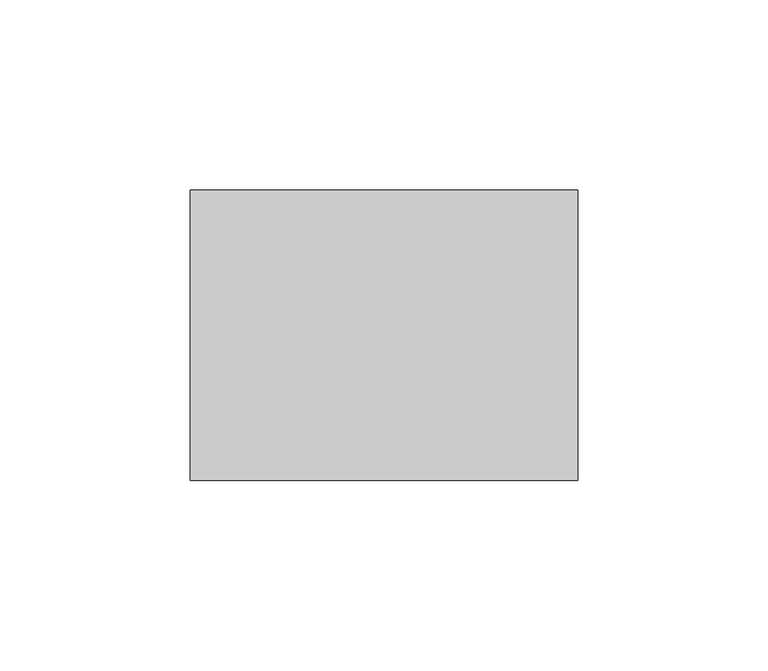
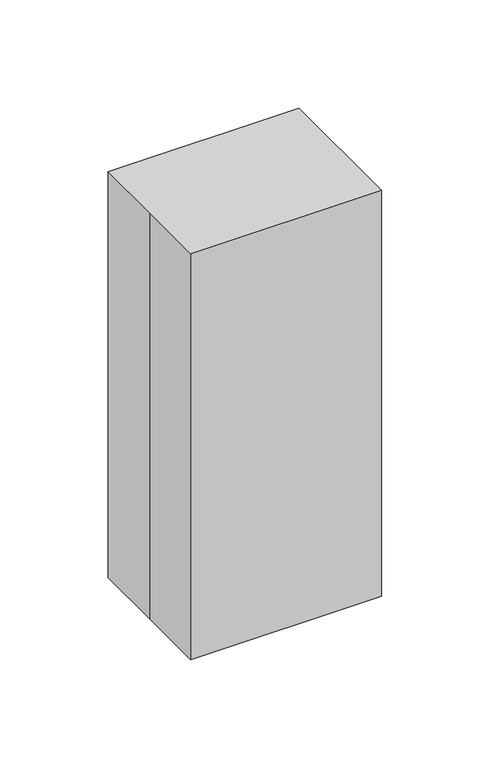
"""IFC4 building model written with IfcOpenShell, lengths in millimetres: proxy geometry."""

import ifcopenshell
import ifcopenshell.guid

model = None  # the IFC model being written
_history = None  # IfcOwnerHistory: only IFC2X3 demands one
_inside = {}  # id of a spatial element -> (the spatial element, [elements in it])
_under = {}  # id of a project, library or spatial element -> (it, [spatial elements below it])
_declared = {}  # id of a project -> (the project, [libraries it declares])
_typed = {}  # id of a type object -> (the type object, [elements of that type])
_made_of = {}  # id of a material, layer set ... -> (it, [elements and type objects made of it])


def new_model(schema):
    """Start an empty IFC model of exactly this schema.

    Asked for "IFC4X3", IfcOpenShell would pick the latest addendum, in which some entities
    have other attributes; the version numbers below select the first issue.
    IFC2X3 requires an IfcOwnerHistory on every rooted entity: one is made here for all.
    """
    global model, _history
    if schema == "IFC4X3":
        model = ifcopenshell.file(schema_version=(4, 3, 0, 0))
    else:
        model = ifcopenshell.file(schema=schema)
    _inside.clear()
    _under.clear()
    _declared.clear()
    _typed.clear()
    _made_of.clear()
    _history = None
    if model.schema == "IFC2X3":
        org = make("IfcOrganization", Name="unknown")
        user = make(
            "IfcPersonAndOrganization",
            ThePerson=make("IfcPerson", FamilyName="unknown"),
            TheOrganization=org,
        )
        app = make(
            "IfcApplication",
            ApplicationDeveloper=org,
            Version="unknown",
            ApplicationFullName="unknown",
            ApplicationIdentifier="unknown",
        )
        _history = make(
            "IfcOwnerHistory",
            OwningUser=user,
            OwningApplication=app,
            ChangeAction="ADDED",
            CreationDate=0,
        )
    return model


def make(cls, **values):
    """One entity of the class cls with the attributes given. An attribute that is None is left unset."""
    return model.create_entity(
        cls, **{name: value for name, value in values.items() if value is not None}
    )


def rooted(cls, **values):
    """An entity with a GlobalId (a new one), such as an element, a storey or a relation."""
    return make(cls, GlobalId=ifcopenshell.guid.new(), OwnerHistory=_history, **values)


def si_unit(unit_type, name, prefix=None):
    """IfcSIUnit, for example si_unit("LENGTHUNIT", "METRE", prefix="MILLI")."""
    return make("IfcSIUnit", UnitType=unit_type, Prefix=prefix, Name=name)


def assignment(units):
    """IfcUnitAssignment: the units of a project."""
    return None if units is None else make("IfcUnitAssignment", Units=units)


def point(xyz):
    """IfcCartesianPoint."""
    return None if xyz is None else make("IfcCartesianPoint", Coordinates=xyz)


def direction(xyz):
    """IfcDirection."""
    return None if xyz is None else make("IfcDirection", DirectionRatios=xyz)


def frame(location, z_axis=None, x_axis=None):
    """IfcAxis2Placement3D, a coordinate frame: its origin and axes. An axis left out is left unset."""
    return make(
        "IfcAxis2Placement3D",
        Location=point(location),
        Axis=direction(z_axis),
        RefDirection=direction(x_axis),
    )


def origin():
    """The frame at (0, 0, 0) with its axes left unset."""
    return frame((0.0, 0.0, 0.0))


def origin_with_axes():
    """The frame at (0, 0, 0) with the z axis (0, 0, 1) and the x axis (1, 0, 0) written out."""
    return frame((0.0, 0.0, 0.0), z_axis=(0.0, 0.0, 1.0), x_axis=(1.0, 0.0, 0.0))


def place(relative_to, where):
    """IfcLocalPlacement: puts the frame where relative to a parent placement (None: the world)."""
    return make(
        "IfcLocalPlacement", PlacementRelTo=relative_to, RelativePlacement=where
    )


def context(
    kind, dimensions, precision=None, world=None, true_north=None, identifier=None
):
    """IfcGeometricRepresentationContext, for example the 3D "Model" context."""
    return make(
        "IfcGeometricRepresentationContext",
        ContextIdentifier=identifier,
        ContextType=kind,
        CoordinateSpaceDimension=dimensions,
        Precision=precision,
        WorldCoordinateSystem=world,
        TrueNorth=true_north,
    )


def project(units=None, contexts=None):
    """IfcProject with its units and contexts."""
    return rooted(
        "IfcProject",
        Name="project",
        RepresentationContexts=contexts,
        UnitsInContext=assignment(units),
    )


def spatial(cls, under=None, at=None, **own):
    """A site, building, storey or space (cls), placed at a placement, below another one or the project."""
    s = rooted(cls, ObjectPlacement=at, **own)
    if under is not None:
        _under.setdefault(under.id(), (under, []))[1].append(s)
    return s


def polyline(points):
    """IfcPolyline through the points."""
    return make("IfcPolyline", Points=[point(p) for p in points])


def circle_curve(where, radius):
    """IfcCircle in the frame where."""
    return make("IfcCircle", Position=where, Radius=radius)


def outline(outer, holes=None, kind="AREA"):
    """IfcArbitraryClosedProfileDef: a profile drawn as a closed curve; with holes, ...WithVoids."""
    if holes is None:
        return make("IfcArbitraryClosedProfileDef", ProfileType=kind, OuterCurve=outer)
    return make(
        "IfcArbitraryProfileDefWithVoids",
        ProfileType=kind,
        OuterCurve=outer,
        InnerCurves=holes,
    )


def extrude(swept, where, along, depth):
    """IfcExtrudedAreaSolid: the profile swept, set in the frame where, extruded along a direction by depth."""
    return make(
        "IfcExtrudedAreaSolid",
        SweptArea=swept,
        Position=where,
        ExtrudedDirection=direction(along),
        Depth=depth,
    )


def shape(context_of_items, identifier, shape_type, items):
    """IfcShapeRepresentation: the items that make up one representation, for example the "Body"."""
    return make(
        "IfcShapeRepresentation",
        ContextOfItems=context_of_items,
        RepresentationIdentifier=identifier,
        RepresentationType=shape_type,
        Items=items,
    )


def source(mapping_origin, context_of_items, identifier, shape_type, items):
    """IfcRepresentationMap: a shape defined once, which mapped items show again and again."""
    return make(
        "IfcRepresentationMap",
        MappingOrigin=mapping_origin,
        MappedRepresentation=shape(context_of_items, identifier, shape_type, items),
    )


def transform(
    local_origin,
    x_axis=None,
    y_axis=None,
    z_axis=None,
    scale=None,
    scale2=None,
    scale3=None,
    uniform=True,
):
    """IfcCartesianTransformationOperator3D, or its non-uniform kind. x_axis, y_axis, z_axis: its Axis1, 2, 3."""
    if uniform:
        return make(
            "IfcCartesianTransformationOperator3D",
            Axis1=direction(x_axis),
            Axis2=direction(y_axis),
            LocalOrigin=point(local_origin),
            Scale=scale,
            Axis3=direction(z_axis),
        )
    return make(
        "IfcCartesianTransformationOperator3DnonUniform",
        Axis1=direction(x_axis),
        Axis2=direction(y_axis),
        LocalOrigin=point(local_origin),
        Scale=scale,
        Axis3=direction(z_axis),
        Scale2=scale2,
        Scale3=scale3,
    )


def mapped(mapping_source, mapping_target):
    """IfcMappedItem: shows the shape of a source again, moved by a transform."""
    return make(
        "IfcMappedItem", MappingSource=mapping_source, MappingTarget=mapping_target
    )


def made_of(thing, what):
    """Note that an element or type object is made of a material, layer set ...; save() writes the relation."""
    if what is not None:
        _made_of.setdefault(what.id(), (what, []))[1].append(thing)
    return thing


def element(
    cls,
    number,
    at=None,
    inside=None,
    cuts=None,
    type_object=None,
    material=None,
    context=None,
    identifier="Body",
    shape_type=None,
    held_by="IfcProductDefinitionShape",
    body=None,
    shapes=None,
    **own,
):
    """One element of the class cls, such as IfcWall. Its Tag is "e" and its number.

    at: its placement. inside: the storey or other place that contains it. cuts: it is an
    opening in that element (IfcRelVoidsElement). A single representation is given by context,
    identifier, shape_type and body (its items); several are given by shapes. held_by: the class
    of the entity that holds the representations. save() writes the other relations.
    """
    e = rooted(cls, Tag="e%d" % number, ObjectPlacement=at, **own)
    if body is not None:
        shapes = [shape(context, identifier, shape_type, body)]
    if shapes is not None:
        e.Representation = make(held_by, Representations=shapes)
    if inside is not None:
        _inside.setdefault(inside.id(), (inside, []))[1].append(e)
    if cuts is not None:
        rooted(
            "IfcRelVoidsElement", RelatingBuildingElement=cuts, RelatedOpeningElement=e
        )
    if type_object is not None:
        _typed.setdefault(type_object.id(), (type_object, []))[1].append(e)
    return made_of(e, material)


def aggregate(whole, parts):
    """IfcRelAggregates: a whole, such as a stair, and the parts it consists of."""
    return rooted("IfcRelAggregates", RelatingObject=whole, RelatedObjects=parts)


def save(model, path):
    """Write the relations noted so far, then the file.

    IfcRelAggregates (storeys below a building ...), IfcRelContainedInSpatialStructure (elements
    in a storey), IfcRelDefinesByType, IfcRelAssociatesMaterial and IfcRelDeclares: one each for
    every whole, place, type object, material and project.
    """
    for whole, parts in _under.values():
        aggregate(whole, parts)
    for where, things in _inside.values():
        rooted(
            "IfcRelContainedInSpatialStructure",
            RelatedElements=things,
            RelatingStructure=where,
        )
    for kind, things in _typed.values():
        rooted("IfcRelDefinesByType", RelatedObjects=things, RelatingType=kind)
    for what, things in _made_of.values():
        rooted("IfcRelAssociatesMaterial", RelatedObjects=things, RelatingMaterial=what)
    for by, libraries in _declared.values():
        rooted("IfcRelDeclares", RelatingContext=by, RelatedDefinitions=libraries)
    model.write(path)


def plane_surface(at):
    """IfcPlane: the flat surface through the origin of the frame at, square to its z axis."""
    return make("IfcPlane", Position=at)


def cylinder_surface(at, radius):
    """IfcCylindricalSurface: all points at the distance radius from the z axis of the frame at."""
    return make("IfcCylindricalSurface", Position=at, Radius=radius)


def advanced_brep(points, edges, surfaces, faces):
    """IfcAdvancedBrep: a solid bounded by faces that lie on surfaces and meet in shared edges.

    An edge is (start, end): straight between two places in points (the first is 0);
    or (start, end, curve); or (start, end, curve, False) where it runs against its curve.
    A face is (place in surfaces, loops), or (place, loops, False) where it looks against
    its surface's normal. A loop lists edges by number (the first is 1), with a minus sign
    where the edge is run from its end to its start. The first loop is the outer one.
    """
    corners = [point(p) for p in points]
    vertices = [make("IfcVertexPoint", VertexGeometry=c) for c in corners]
    made = []
    for start, end, *more in edges:
        made.append(
            make(
                "IfcEdgeCurve",
                EdgeStart=vertices[start],
                EdgeEnd=vertices[end],
                EdgeGeometry=more[0] if more else make("IfcPolyline", Points=[corners[start], corners[end]]),
                SameSense=more[1] if len(more) > 1 else True,
            )
        )
    hull = []
    for where, loops, *sense in faces:
        bounds = []
        for j, loop in enumerate(loops):
            ring = [make("IfcOrientedEdge", EdgeElement=made[abs(k) - 1], Orientation=k > 0) for k in loop]
            bounds.append(
                make(
                    "IfcFaceOuterBound" if j == 0 else "IfcFaceBound",
                    Bound=make("IfcEdgeLoop", EdgeList=ring),
                    Orientation=True,
                )
            )
        hull.append(make("IfcAdvancedFace", Bounds=bounds, FaceSurface=surfaces[where], SameSense=sense[0] if sense else True))
    return make("IfcAdvancedBrep", Outer=make("IfcClosedShell", CfsFaces=hull))


def specialty_equipment_a07682d5(model_context):
    return source(origin(), model_context, "Body", "SolidModel", [
        extrude(outline(polyline([(-50.8, 38.1), (50.8, 38.1), (50.8, -38.1), (-50.8, -38.1), (-50.8, 0.0), (-50.8, 38.1)])), origin_with_axes(), (0.0, 0.0, 1.0), 228.6),
        extrude(outline(polyline([(38.1, -28.575), (-38.1, -28.575), (-38.1, 22.225), (38.1, 22.225), (38.1, -28.575)])), origin_with_axes(), (0.0, 0.0, 1.0), 50.8),
        extrude(outline(polyline([(34.925, -25.4), (-34.925, -25.4), (-34.925, 19.05), (34.925, 19.05), (34.925, -25.4)])), frame((0.0, 0.0, 50.8), z_axis=(0.0, 0.0, 1.0), x_axis=(1.0, 0.0, 0.0)), (0.0, 0.0, 1.0), 107.95),
        extrude(outline(polyline([(152.5638698, 27.6463052), (152.5638698, -27.6937711), (120.8138698, -27.6937711), (120.8138698, 27.6463052), (152.5638698, 27.6463052)]), holes=[polyline([(127.1638698, 21.2963052), (127.1638698, -21.3437711), (146.2138698, -21.3437711), (146.2138698, 21.2963052), (127.1638698, 21.2963052)])]), frame((0.0, -27.8626185, 0.0), z_axis=(0.0, 1.0, 0.0), x_axis=(0.0, 0.0, 1.0)), (0.0, 0.0, 1.0), 2.4626185),
        extrude(outline(polyline([(21.2963052, -27.384375), (-21.3437711, -27.384375), (-21.3437711, -24.209375), (21.2963052, -24.209375), (21.2963052, -27.384375)])), frame((0.0, 0.0, 127.1638698), z_axis=(0.0, 0.0, 1.0), x_axis=(1.0, 0.0, 0.0)), (0.0, 0.0, 1.0), 19.05),
        advanced_brep(
        [(10.8039714, -2.7027988, 171.45), (25.7080049, -2.7027988, 171.45), (27.78125, -2.7027988, 171.45), (8.7307262, -2.7027988, 171.45), (10.8039714, -2.7027988, 174.0186334), (25.7080049, -2.7027988, 174.0186334), (6.2600587, -2.7027988, 174.0186334), (30.2519175, -2.7027988, 174.0186334), (6.2600587, -2.7027988, 176.5632245), (30.2519175, -2.7027988, 176.5632245), (8.7307262, -2.7027988, 176.5632245), (27.78125, -2.7027988, 176.5632245), (8.7307262, -2.7027988, 198.0104922), (27.78125, -2.7027988, 198.0104922), (18.2559881, -2.7027988, 198.0104922), (8.7307262, -2.7027988, 158.75), (27.78125, -2.7027988, 158.75), (18.2559881, -2.7027988, 158.75)],
        [
            (0, 1, circle_curve(frame((18.2559881, -2.7027988, 171.45), z_axis=(0.0, 0.0, -1.0), x_axis=(1.0, 0.0, 0.0)), 7.4520167)),
            (1, 2),
            (2, 3, circle_curve(frame((18.2559881, -2.7027988, 171.45), z_axis=(0.0, 0.0, 1.0), x_axis=(1.0, 0.0, 0.0)), 9.5252619)),
            (3, 0),
            (1, 0, circle_curve(frame((18.2559881, -2.7027988, 171.45), z_axis=(0.0, 0.0, -1.0), x_axis=(1.0, 0.0, 0.0)), 7.4520167)),
            (3, 2, circle_curve(frame((18.2559881, -2.7027988, 171.45), z_axis=(0.0, 0.0, 1.0), x_axis=(1.0, 0.0, 0.0)), 9.5252619)),
            (4, 5, circle_curve(frame((18.2559881, -2.7027988, 174.0186334), z_axis=(0.0, 0.0, -1.0), x_axis=(1.0, 0.0, 0.0)), 7.4520167)),
            (5, 1),
            (0, 4),
            (5, 4, circle_curve(frame((18.2559881, -2.7027988, 174.0186334), z_axis=(0.0, 0.0, -1.0), x_axis=(1.0, 0.0, 0.0)), 7.4520167)),
            (6, 7, circle_curve(frame((18.2559881, -2.7027988, 174.0186334), z_axis=(0.0, 0.0, -1.0), x_axis=(1.0, 0.0, 0.0)), 11.9959294)),
            (7, 5),
            (4, 6),
            (7, 6, circle_curve(frame((18.2559881, -2.7027988, 174.0186334), z_axis=(0.0, 0.0, -1.0), x_axis=(1.0, 0.0, 0.0)), 11.9959294)),
            (8, 9, circle_curve(frame((18.2559881, -2.7027988, 176.5632245), z_axis=(0.0, 0.0, -1.0), x_axis=(1.0, 0.0, 0.0)), 11.9959294)),
            (9, 7),
            (6, 8),
            (9, 8, circle_curve(frame((18.2559881, -2.7027988, 176.5632245), z_axis=(0.0, 0.0, -1.0), x_axis=(1.0, 0.0, 0.0)), 11.9959294)),
            (10, 11, circle_curve(frame((18.2559881, -2.7027988, 176.5632245), z_axis=(0.0, 0.0, -1.0), x_axis=(1.0, 0.0, 0.0)), 9.5252619)),
            (11, 9),
            (8, 10),
            (11, 10, circle_curve(frame((18.2559881, -2.7027988, 176.5632245), z_axis=(0.0, 0.0, -1.0), x_axis=(1.0, 0.0, 0.0)), 9.5252619)),
            (12, 13, circle_curve(frame((18.2559881, -2.7027988, 198.0104922), z_axis=(0.0, 0.0, -1.0), x_axis=(1.0, 0.0, 0.0)), 9.5252619)),
            (13, 11),
            (10, 12),
            (13, 12, circle_curve(frame((18.2559881, -2.7027988, 198.0104922), z_axis=(0.0, 0.0, -1.0), x_axis=(1.0, 0.0, 0.0)), 9.5252619)),
            (14, 13),
            (12, 14),
            (15, 16, circle_curve(frame((18.2559881, -2.7027988, 158.75), z_axis=(0.0, 0.0, -1.0), x_axis=(1.0, 0.0, 0.0)), 9.5252619)),
            (16, 17),
            (17, 15),
            (16, 15, circle_curve(frame((18.2559881, -2.7027988, 158.75), z_axis=(0.0, 0.0, -1.0), x_axis=(1.0, 0.0, 0.0)), 9.5252619)),
            (2, 16),
            (15, 3),
        ],
        [
            plane_surface(frame((18.2559881, -2.7027988, 171.45), z_axis=(0.0, 0.0, 1.0), x_axis=(1.0, 0.0, 0.0))),
            cylinder_surface(frame((18.2559881, -2.7027988, 189.2632245), z_axis=(0.0, 0.0, 1.0), x_axis=(1.0, 0.0, 0.0)), 7.4520167),
            plane_surface(frame((18.2559881, -2.7027988, 174.0186334), z_axis=(0.0, 0.0, -1.0), x_axis=(1.0, 0.0, 0.0))),
            cylinder_surface(frame((18.2559881, -2.7027988, 189.2632245), z_axis=(0.0, 0.0, 1.0), x_axis=(1.0, 0.0, 0.0)), 11.9959294),
            plane_surface(frame((18.2559881, -2.7027988, 176.5632245), z_axis=(0.0, 0.0, 1.0), x_axis=(1.0, 0.0, 0.0))),
            cylinder_surface(frame((18.2559881, -2.7027988, 189.2632245), z_axis=(0.0, 0.0, 1.0), x_axis=(1.0, 0.0, 0.0)), 9.5252619),
            plane_surface(frame((18.2559881, -2.7027988, 198.0104922), z_axis=(0.0, 0.0, 1.0), x_axis=(1.0, 0.0, 0.0))),
            plane_surface(frame((18.2559881, -2.7027988, 158.75), z_axis=(0.0, 0.0, -1.0), x_axis=(1.0, 0.0, 0.0))),
        ],
        [
            (0, [[1, 2, 3, 4]]),
            (0, [[5, -4, 6, -2]]),
            (1, [[7, 8, -1, 9]]),
            (1, [[10, -9, -5, -8]]),
            (2, [[11, 12, -7, 13]]),
            (2, [[14, -13, -10, -12]]),
            (3, [[15, 16, -11, 17]]),
            (3, [[18, -17, -14, -16]]),
            (4, [[19, 20, -15, 21]]),
            (4, [[22, -21, -18, -20]]),
            (5, [[23, 24, -19, 25]]),
            (5, [[26, -25, -22, -24]]),
            (6, [[27, -23, 28]]),
            (6, [[-28, -26, -27]]),
            (7, [[29, 30, 31]]),
            (7, [[32, -31, -30]]),
            (5, [[-3, 33, -29, 34]]),
            (5, [[-6, -34, -32, -33]]),
        ],
    ),
        advanced_brep(
        [(-23.9299367, -2.7027988, 171.45), (-9.0259032, -2.7027988, 171.45), (-6.9526581, -2.7027988, 171.45), (-26.0031819, -2.7027988, 171.45), (-23.9299367, -2.7027988, 174.0186334), (-9.0259032, -2.7027988, 174.0186334), (-28.4738494, -2.7027988, 174.0186334), (-4.4819906, -2.7027988, 174.0186334), (-28.4738494, -2.7027988, 176.5632245), (-4.4819906, -2.7027988, 176.5632245), (-26.0031819, -2.7027988, 176.5632245), (-6.9526581, -2.7027988, 176.5632245), (-26.0031819, -2.7027988, 198.0104922), (-6.9526581, -2.7027988, 198.0104922), (-16.47792, -2.7027988, 198.0104922), (-26.0031819, -2.7027988, 158.75), (-6.9526581, -2.7027988, 158.75), (-16.47792, -2.7027988, 158.75)],
        [
            (0, 1, circle_curve(frame((-16.47792, -2.7027988, 171.45), z_axis=(0.0, 0.0, -1.0), x_axis=(1.0, 0.0, 0.0)), 7.4520167)),
            (1, 2),
            (2, 3, circle_curve(frame((-16.47792, -2.7027988, 171.45), z_axis=(0.0, 0.0, 1.0), x_axis=(1.0, 0.0, 0.0)), 9.5252619)),
            (3, 0),
            (1, 0, circle_curve(frame((-16.47792, -2.7027988, 171.45), z_axis=(0.0, 0.0, -1.0), x_axis=(1.0, 0.0, 0.0)), 7.4520167)),
            (3, 2, circle_curve(frame((-16.47792, -2.7027988, 171.45), z_axis=(0.0, 0.0, 1.0), x_axis=(1.0, 0.0, 0.0)), 9.5252619)),
            (4, 5, circle_curve(frame((-16.47792, -2.7027988, 174.0186334), z_axis=(0.0, 0.0, -1.0), x_axis=(1.0, 0.0, 0.0)), 7.4520167)),
            (5, 1),
            (0, 4),
            (5, 4, circle_curve(frame((-16.47792, -2.7027988, 174.0186334), z_axis=(0.0, 0.0, -1.0), x_axis=(1.0, 0.0, 0.0)), 7.4520167)),
            (6, 7, circle_curve(frame((-16.47792, -2.7027988, 174.0186334), z_axis=(0.0, 0.0, -1.0), x_axis=(1.0, 0.0, 0.0)), 11.9959294)),
            (7, 5),
            (4, 6),
            (7, 6, circle_curve(frame((-16.47792, -2.7027988, 174.0186334), z_axis=(0.0, 0.0, -1.0), x_axis=(1.0, 0.0, 0.0)), 11.9959294)),
            (8, 9, circle_curve(frame((-16.47792, -2.7027988, 176.5632245), z_axis=(0.0, 0.0, -1.0), x_axis=(1.0, 0.0, 0.0)), 11.9959294)),
            (9, 7),
            (6, 8),
            (9, 8, circle_curve(frame((-16.47792, -2.7027988, 176.5632245), z_axis=(0.0, 0.0, -1.0), x_axis=(1.0, 0.0, 0.0)), 11.9959294)),
            (10, 11, circle_curve(frame((-16.47792, -2.7027988, 176.5632245), z_axis=(0.0, 0.0, -1.0), x_axis=(1.0, 0.0, 0.0)), 9.5252619)),
            (11, 9),
            (8, 10),
            (11, 10, circle_curve(frame((-16.47792, -2.7027988, 176.5632245), z_axis=(0.0, 0.0, -1.0), x_axis=(1.0, 0.0, 0.0)), 9.5252619)),
            (12, 13, circle_curve(frame((-16.47792, -2.7027988, 198.0104922), z_axis=(0.0, 0.0, -1.0), x_axis=(1.0, 0.0, 0.0)), 9.5252619)),
            (13, 11),
            (10, 12),
            (13, 12, circle_curve(frame((-16.47792, -2.7027988, 198.0104922), z_axis=(0.0, 0.0, -1.0), x_axis=(1.0, 0.0, 0.0)), 9.5252619)),
            (14, 13),
            (12, 14),
            (15, 16, circle_curve(frame((-16.47792, -2.7027988, 158.75), z_axis=(0.0, 0.0, -1.0), x_axis=(1.0, 0.0, 0.0)), 9.5252619)),
            (16, 17),
            (17, 15),
            (16, 15, circle_curve(frame((-16.47792, -2.7027988, 158.75), z_axis=(0.0, 0.0, -1.0), x_axis=(1.0, 0.0, 0.0)), 9.5252619)),
            (2, 16),
            (15, 3),
        ],
        [
            plane_surface(frame((-16.47792, -2.7027988, 171.45), z_axis=(0.0, 0.0, 1.0), x_axis=(1.0, 0.0, 0.0))),
            cylinder_surface(frame((-16.47792, -2.7027988, 189.2632245), z_axis=(0.0, 0.0, 1.0), x_axis=(1.0, 0.0, 0.0)), 7.4520167),
            plane_surface(frame((-16.47792, -2.7027988, 174.0186334), z_axis=(0.0, 0.0, -1.0), x_axis=(1.0, 0.0, 0.0))),
            cylinder_surface(frame((-16.47792, -2.7027988, 189.2632245), z_axis=(0.0, 0.0, 1.0), x_axis=(1.0, 0.0, 0.0)), 11.9959294),
            plane_surface(frame((-16.47792, -2.7027988, 176.5632245), z_axis=(0.0, 0.0, 1.0), x_axis=(1.0, 0.0, 0.0))),
            cylinder_surface(frame((-16.47792, -2.7027988, 189.2632245), z_axis=(0.0, 0.0, 1.0), x_axis=(1.0, 0.0, 0.0)), 9.5252619),
            plane_surface(frame((-16.47792, -2.7027988, 198.0104922), z_axis=(0.0, 0.0, 1.0), x_axis=(1.0, 0.0, 0.0))),
            plane_surface(frame((-16.47792, -2.7027988, 158.75), z_axis=(0.0, 0.0, -1.0), x_axis=(1.0, 0.0, 0.0))),
        ],
        [
            (0, [[1, 2, 3, 4]]),
            (0, [[5, -4, 6, -2]]),
            (1, [[7, 8, -1, 9]]),
            (1, [[10, -9, -5, -8]]),
            (2, [[11, 12, -7, 13]]),
            (2, [[14, -13, -10, -12]]),
            (3, [[15, 16, -11, 17]]),
            (3, [[18, -17, -14, -16]]),
            (4, [[19, 20, -15, 21]]),
            (4, [[22, -21, -18, -20]]),
            (5, [[23, 24, -19, 25]]),
            (5, [[26, -25, -22, -24]]),
            (6, [[27, -23, 28]]),
            (6, [[-28, -26, -27]]),
            (7, [[29, 30, 31]]),
            (7, [[32, -31, -30]]),
            (5, [[-3, 33, -29, 34]]),
            (5, [[-6, -34, -32, -33]]),
        ],
    ),
    ])


if __name__ == "__main__":
    model = new_model("IFC4")
    model_context = context("Model", 3, world=origin())
    ifc_project = project(units=[si_unit("LENGTHUNIT", "METRE", prefix="MILLI")], contexts=[model_context])
    site = spatial("IfcSite", under=ifc_project)
    building = spatial("IfcBuilding", under=site)
    placement = place(None, origin())
    specialty_equipment_shape = specialty_equipment_a07682d5(model_context)
    element("IfcBuildingElementProxy", 1, Name="Specialty Equipment", at=placement, inside=building, context=model_context, shape_type="MappedRepresentation", body=[
        mapped(specialty_equipment_shape, transform((0.0, 0.0, 0.0), x_axis=(1.0, 0.0, 0.0), y_axis=(0.0, 1.0, 0.0), z_axis=(0.0, 0.0, 1.0))),
    ])
    save(model, "model.ifc")
